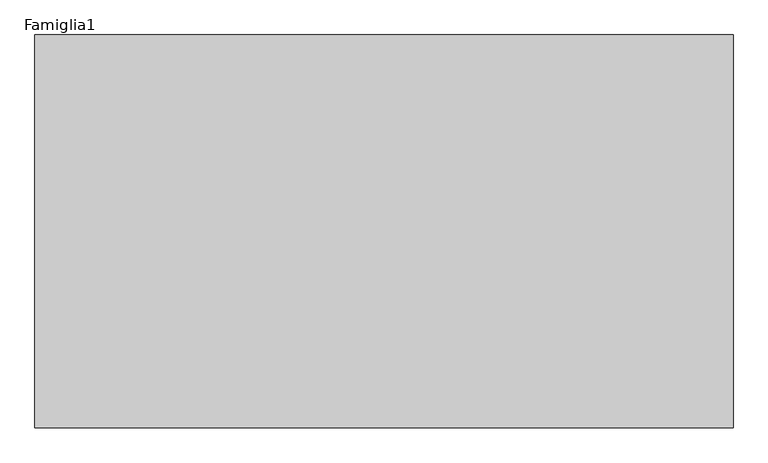
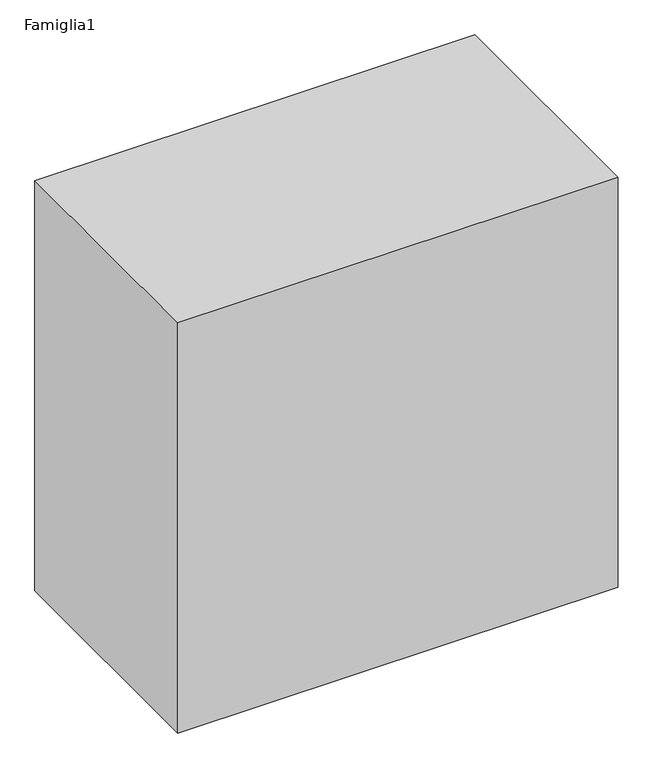
"""IFC4 building model written with IfcOpenShell, lengths in millimetres: proxy geometry, Famiglia1."""

from ifc_helpers import new_model, si_unit, origin, origin_with_axes, place, context, project, spatial, polyline, outline, extrude, source, transform, mapped, element, save


def famiglia1_c605ce31(model_context):
    return source(origin(), model_context, "Body", "SweptSolid", [
        extrude(outline(polyline([(14217.0265711, 8000.0), (14217.0265711, 0.0), (0.0, 0.0), (0.0, 8000.0), (14217.0265711, 8000.0)])), origin_with_axes(), (0.0, 0.0, 1.0), 14000.0),
    ])


if __name__ == "__main__":
    model = new_model("IFC4")
    model_context = context("Model", 3, world=origin())
    ifc_project = project(units=[si_unit("LENGTHUNIT", "METRE", prefix="MILLI")], contexts=[model_context])
    site = spatial("IfcSite", under=ifc_project)
    building = spatial("IfcBuilding", under=site)
    placement = place(None, origin())
    famiglia1_shape = famiglia1_c605ce31(model_context)
    element("IfcBuildingElementProxy", 1, Name="Famiglia1", ObjectType="Famiglia1", at=placement, inside=building, context=model_context, shape_type="MappedRepresentation", body=[
        mapped(famiglia1_shape, transform((0.0, 0.0, 0.0), x_axis=(1.0, 0.0, 0.0), y_axis=(0.0, 1.0, 0.0), z_axis=(0.0, 0.0, 1.0))),
    ])
    save(model, "model.ifc")
